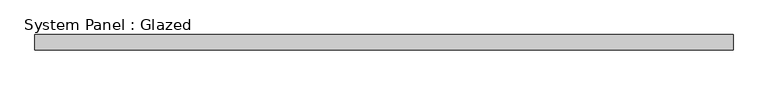
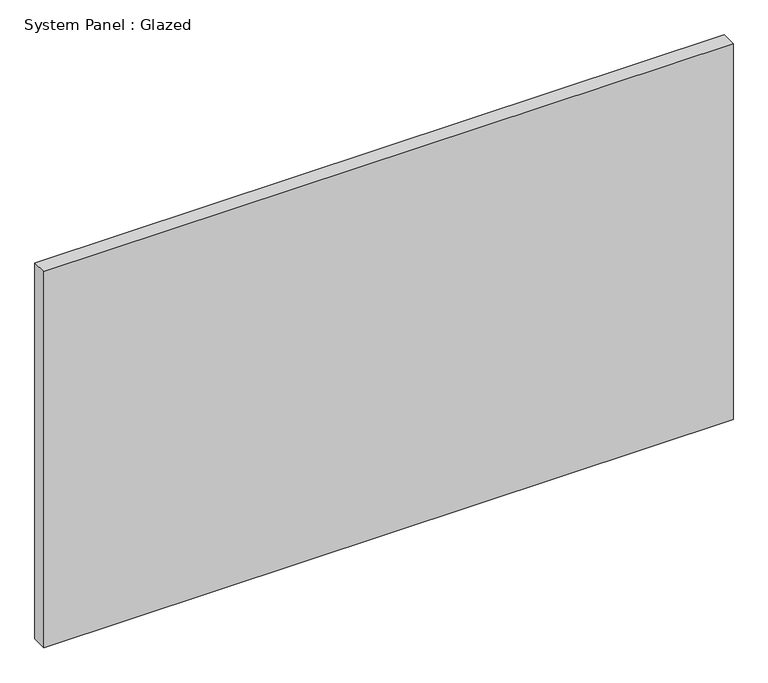
"""IFC4 building model written with IfcOpenShell, lengths in millimetres: plate geometry, System Panel : Glazed."""

import ifcopenshell
import ifcopenshell.guid

model = None  # the IFC model being written
_history = None  # IfcOwnerHistory: only IFC2X3 demands one
_inside = {}  # id of a spatial element -> (the spatial element, [elements in it])
_under = {}  # id of a project, library or spatial element -> (it, [spatial elements below it])
_declared = {}  # id of a project -> (the project, [libraries it declares])
_typed = {}  # id of a type object -> (the type object, [elements of that type])
_made_of = {}  # id of a material, layer set ... -> (it, [elements and type objects made of it])


def new_model(schema):
    """Start an empty IFC model of exactly this schema.

    Asked for "IFC4X3", IfcOpenShell would pick the latest addendum, in which some entities
    have other attributes; the version numbers below select the first issue.
    IFC2X3 requires an IfcOwnerHistory on every rooted entity: one is made here for all.
    """
    global model, _history
    if schema == "IFC4X3":
        model = ifcopenshell.file(schema_version=(4, 3, 0, 0))
    else:
        model = ifcopenshell.file(schema=schema)
    _inside.clear()
    _under.clear()
    _declared.clear()
    _typed.clear()
    _made_of.clear()
    _history = None
    if model.schema == "IFC2X3":
        org = make("IfcOrganization", Name="unknown")
        user = make(
            "IfcPersonAndOrganization",
            ThePerson=make("IfcPerson", FamilyName="unknown"),
            TheOrganization=org,
        )
        app = make(
            "IfcApplication",
            ApplicationDeveloper=org,
            Version="unknown",
            ApplicationFullName="unknown",
            ApplicationIdentifier="unknown",
        )
        _history = make(
            "IfcOwnerHistory",
            OwningUser=user,
            OwningApplication=app,
            ChangeAction="ADDED",
            CreationDate=0,
        )
    return model


def make(cls, **values):
    """One entity of the class cls with the attributes given. An attribute that is None is left unset."""
    return model.create_entity(
        cls, **{name: value for name, value in values.items() if value is not None}
    )


def rooted(cls, **values):
    """An entity with a GlobalId (a new one), such as an element, a storey or a relation."""
    return make(cls, GlobalId=ifcopenshell.guid.new(), OwnerHistory=_history, **values)


def si_unit(unit_type, name, prefix=None):
    """IfcSIUnit, for example si_unit("LENGTHUNIT", "METRE", prefix="MILLI")."""
    return make("IfcSIUnit", UnitType=unit_type, Prefix=prefix, Name=name)


def assignment(units):
    """IfcUnitAssignment: the units of a project."""
    return None if units is None else make("IfcUnitAssignment", Units=units)


def point(xyz):
    """IfcCartesianPoint."""
    return None if xyz is None else make("IfcCartesianPoint", Coordinates=xyz)


def direction(xyz):
    """IfcDirection."""
    return None if xyz is None else make("IfcDirection", DirectionRatios=xyz)


def frame(location, z_axis=None, x_axis=None):
    """IfcAxis2Placement3D, a coordinate frame: its origin and axes. An axis left out is left unset."""
    return make(
        "IfcAxis2Placement3D",
        Location=point(location),
        Axis=direction(z_axis),
        RefDirection=direction(x_axis),
    )


def origin():
    """The frame at (0, 0, 0) with its axes left unset."""
    return frame((0.0, 0.0, 0.0))


def origin_with_axes():
    """The frame at (0, 0, 0) with the z axis (0, 0, 1) and the x axis (1, 0, 0) written out."""
    return frame((0.0, 0.0, 0.0), z_axis=(0.0, 0.0, 1.0), x_axis=(1.0, 0.0, 0.0))


def place(relative_to, where):
    """IfcLocalPlacement: puts the frame where relative to a parent placement (None: the world)."""
    return make(
        "IfcLocalPlacement", PlacementRelTo=relative_to, RelativePlacement=where
    )


def context(
    kind, dimensions, precision=None, world=None, true_north=None, identifier=None
):
    """IfcGeometricRepresentationContext, for example the 3D "Model" context."""
    return make(
        "IfcGeometricRepresentationContext",
        ContextIdentifier=identifier,
        ContextType=kind,
        CoordinateSpaceDimension=dimensions,
        Precision=precision,
        WorldCoordinateSystem=world,
        TrueNorth=true_north,
    )


def project(units=None, contexts=None):
    """IfcProject with its units and contexts."""
    return rooted(
        "IfcProject",
        Name="project",
        RepresentationContexts=contexts,
        UnitsInContext=assignment(units),
    )


def spatial(cls, under=None, at=None, **own):
    """A site, building, storey or space (cls), placed at a placement, below another one or the project."""
    s = rooted(cls, ObjectPlacement=at, **own)
    if under is not None:
        _under.setdefault(under.id(), (under, []))[1].append(s)
    return s


def polyline(points):
    """IfcPolyline through the points."""
    return make("IfcPolyline", Points=[point(p) for p in points])


def outline(outer, holes=None, kind="AREA"):
    """IfcArbitraryClosedProfileDef: a profile drawn as a closed curve; with holes, ...WithVoids."""
    if holes is None:
        return make("IfcArbitraryClosedProfileDef", ProfileType=kind, OuterCurve=outer)
    return make(
        "IfcArbitraryProfileDefWithVoids",
        ProfileType=kind,
        OuterCurve=outer,
        InnerCurves=holes,
    )


def extrude(swept, where, along, depth):
    """IfcExtrudedAreaSolid: the profile swept, set in the frame where, extruded along a direction by depth."""
    return make(
        "IfcExtrudedAreaSolid",
        SweptArea=swept,
        Position=where,
        ExtrudedDirection=direction(along),
        Depth=depth,
    )


def shape(context_of_items, identifier, shape_type, items):
    """IfcShapeRepresentation: the items that make up one representation, for example the "Body"."""
    return make(
        "IfcShapeRepresentation",
        ContextOfItems=context_of_items,
        RepresentationIdentifier=identifier,
        RepresentationType=shape_type,
        Items=items,
    )


def source(mapping_origin, context_of_items, identifier, shape_type, items):
    """IfcRepresentationMap: a shape defined once, which mapped items show again and again."""
    return make(
        "IfcRepresentationMap",
        MappingOrigin=mapping_origin,
        MappedRepresentation=shape(context_of_items, identifier, shape_type, items),
    )


def transform(
    local_origin,
    x_axis=None,
    y_axis=None,
    z_axis=None,
    scale=None,
    scale2=None,
    scale3=None,
    uniform=True,
):
    """IfcCartesianTransformationOperator3D, or its non-uniform kind. x_axis, y_axis, z_axis: its Axis1, 2, 3."""
    if uniform:
        return make(
            "IfcCartesianTransformationOperator3D",
            Axis1=direction(x_axis),
            Axis2=direction(y_axis),
            LocalOrigin=point(local_origin),
            Scale=scale,
            Axis3=direction(z_axis),
        )
    return make(
        "IfcCartesianTransformationOperator3DnonUniform",
        Axis1=direction(x_axis),
        Axis2=direction(y_axis),
        LocalOrigin=point(local_origin),
        Scale=scale,
        Axis3=direction(z_axis),
        Scale2=scale2,
        Scale3=scale3,
    )


def mapped(mapping_source, mapping_target):
    """IfcMappedItem: shows the shape of a source again, moved by a transform."""
    return make(
        "IfcMappedItem", MappingSource=mapping_source, MappingTarget=mapping_target
    )


def made_of(thing, what):
    """Note that an element or type object is made of a material, layer set ...; save() writes the relation."""
    if what is not None:
        _made_of.setdefault(what.id(), (what, []))[1].append(thing)
    return thing


def element(
    cls,
    number,
    at=None,
    inside=None,
    cuts=None,
    type_object=None,
    material=None,
    context=None,
    identifier="Body",
    shape_type=None,
    held_by="IfcProductDefinitionShape",
    body=None,
    shapes=None,
    **own,
):
    """One element of the class cls, such as IfcWall. Its Tag is "e" and its number.

    at: its placement. inside: the storey or other place that contains it. cuts: it is an
    opening in that element (IfcRelVoidsElement). A single representation is given by context,
    identifier, shape_type and body (its items); several are given by shapes. held_by: the class
    of the entity that holds the representations. save() writes the other relations.
    """
    e = rooted(cls, Tag="e%d" % number, ObjectPlacement=at, **own)
    if body is not None:
        shapes = [shape(context, identifier, shape_type, body)]
    if shapes is not None:
        e.Representation = make(held_by, Representations=shapes)
    if inside is not None:
        _inside.setdefault(inside.id(), (inside, []))[1].append(e)
    if cuts is not None:
        rooted(
            "IfcRelVoidsElement", RelatingBuildingElement=cuts, RelatedOpeningElement=e
        )
    if type_object is not None:
        _typed.setdefault(type_object.id(), (type_object, []))[1].append(e)
    return made_of(e, material)


def aggregate(whole, parts):
    """IfcRelAggregates: a whole, such as a stair, and the parts it consists of."""
    return rooted("IfcRelAggregates", RelatingObject=whole, RelatedObjects=parts)


def save(model, path):
    """Write the relations noted so far, then the file.

    IfcRelAggregates (storeys below a building ...), IfcRelContainedInSpatialStructure (elements
    in a storey), IfcRelDefinesByType, IfcRelAssociatesMaterial and IfcRelDeclares: one each for
    every whole, place, type object, material and project.
    """
    for whole, parts in _under.values():
        aggregate(whole, parts)
    for where, things in _inside.values():
        rooted(
            "IfcRelContainedInSpatialStructure",
            RelatedElements=things,
            RelatingStructure=where,
        )
    for kind, things in _typed.values():
        rooted("IfcRelDefinesByType", RelatedObjects=things, RelatingType=kind)
    for what, things in _made_of.values():
        rooted("IfcRelAssociatesMaterial", RelatedObjects=things, RelatingMaterial=what)
    for by, libraries in _declared.values():
        rooted("IfcRelDeclares", RelatingContext=by, RelatedDefinitions=libraries)
    model.write(path)


def system_panel_glazed_18b0e794(model_context):
    return source(origin(), model_context, "Body", "SweptSolid", [
        extrude(outline(polyline([(577.85, -44.45), (-577.85, -44.45), (-577.85, -19.05), (577.85, -19.05), (577.85, -44.45)])), origin_with_axes(), (0.0, 0.0, 1.0), 666.75),
    ])


if __name__ == "__main__":
    model = new_model("IFC4")
    model_context = context("Model", 3, world=origin())
    ifc_project = project(units=[si_unit("LENGTHUNIT", "METRE", prefix="MILLI")], contexts=[model_context])
    site = spatial("IfcSite", under=ifc_project)
    building = spatial("IfcBuilding", under=site)
    placement = place(None, origin())
    system_panel_glazed_shape = system_panel_glazed_18b0e794(model_context)
    element("IfcPlate", 1, ObjectType="System Panel : Glazed", at=placement, inside=building, context=model_context, shape_type="MappedRepresentation", body=[
        mapped(system_panel_glazed_shape, transform((0.0, 0.0, 0.0), x_axis=(1.0, 0.0, 0.0), y_axis=(0.0, 1.0, 0.0), z_axis=(0.0, 0.0, 1.0))),
    ])
    save(model, "model.ifc")
